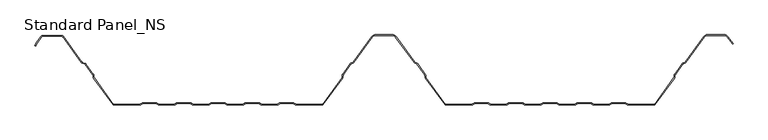
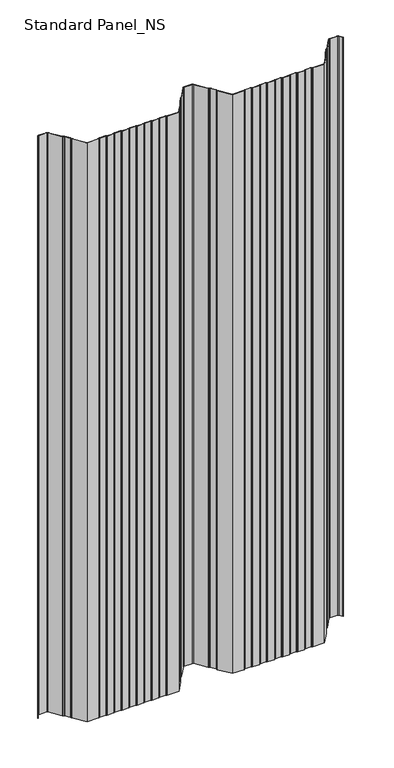
"""IFC4 building model written with IfcOpenShell, lengths in millimetres: proxy geometry, Standard Panel_NS."""

from ifc_helpers import new_model, si_unit, point, frame_2d, origin, origin_with_axes, place, context, project, spatial, polyline, circle_curve, trimmed, segment, composite_curve, outline, extrude, source, transform, mapped, element, save


def standard_panel_ns_25d5b2a5(model_context):
    return source(origin(), model_context, "Body", "SweptSolid", [
        extrude(outline(composite_curve([segment(trimmed(circle_curve(frame_2d((-475.5977664, 97.2513951)), 2.7486049), [point((-477.8230656, 98.864737))], [point((-475.5977664, 100.0))], False, "CARTESIAN"), True, "CONTINUOUS"), segment(polyline([(-475.5977664, 100.0), (-448.4022336, 100.0)]), True, "CONTINUOUS"), segment(trimmed(circle_curve(frame_2d((-448.4022336, 97.2513951)), 2.7486049), [point((-448.4022336, 100.0))], [point((-446.1769344, 98.864737))], False, "CARTESIAN"), True, "CONTINUOUS"), segment(polyline([(-446.1769344, 98.864737), (-419.3812187, 61.9051293)]), True, "CONTINUOUS"), segment(trimmed(circle_curve(frame_2d((-417.96553, 62.9315037)), 1.7486049), [point((-419.3812187, 61.9051293))], [point((-418.5741242, 61.2922257))], True, "CARTESIAN"), True, "CONTINUOUS"), segment(polyline([(-418.5741242, 61.2922257), (-414.780451, 59.8837962)]), True, "CONTINUOUS"), segment(trimmed(circle_curve(frame_2d((-415.7370908, 57.3070406)), 2.7486049), [point((-414.780451, 59.8837962))], [point((-413.5117915, 58.9203825))], False, "CARTESIAN"), True, "CONTINUOUS"), segment(polyline([(-413.5117915, 58.9203825), (-402.7622541, 44.0934344)]), True, "CONTINUOUS"), segment(trimmed(circle_curve(frame_2d((-404.9875533, 42.4800924)), 2.7486049), [point((-402.7622541, 44.0934344))], [point((-402.2410714, 42.5881001))], False, "CARTESIAN"), True, "CONTINUOUS"), segment(polyline([(-402.2410714, 42.5881001), (-402.152896, 40.3459275)]), True, "CONTINUOUS"), segment(trimmed(circle_curve(frame_2d((-400.4056417, 40.4146398)), 1.7486049), [point((-402.152896, 40.3459275))], [point((-401.8213305, 39.3882654))], True, "CARTESIAN"), True, "CONTINUOUS"), segment(polyline([(-401.8213305, 39.3882654), (-373.9898381, 1.0), (-336.1655439, 1.0)]), True, "CONTINUOUS"), segment(trimmed(circle_curve(frame_2d((-336.1655439, 2.7486049)), 1.7486049), [point((-336.1655439, 1.0))], [point((-335.1955925, 1.2936777))], True, "CARTESIAN"), True, "CONTINUOUS"), segment(polyline([(-335.1955925, 1.2936777), (-333.32855, 2.5383726)]), True, "CONTINUOUS"), segment(trimmed(circle_curve(frame_2d((-331.8038984, 0.2513951)), 2.7486049), [point((-333.32855, 2.5383726))], [point((-331.8038984, 3.0))], False, "CARTESIAN"), True, "CONTINUOUS"), segment(polyline([(-331.8038984, 3.0), (-312.8627683, 3.0)]), True, "CONTINUOUS"), segment(trimmed(circle_curve(frame_2d((-312.8627683, 0.2513951)), 2.7486049), [point((-312.8627683, 3.0))], [point((-311.3381166, 2.5383726))], False, "CARTESIAN"), True, "CONTINUOUS"), segment(polyline([(-311.3381166, 2.5383726), (-309.4710742, 1.2936777)]), True, "CONTINUOUS"), segment(trimmed(circle_curve(frame_2d((-308.5011227, 2.7486049)), 1.7486049), [point((-309.4710742, 1.2936777))], [point((-308.5011227, 1.0))], True, "CARTESIAN"), True, "CONTINUOUS"), segment(polyline([(-308.5011227, 1.0), (-286.9988773, 1.0)]), True, "CONTINUOUS"), segment(trimmed(circle_curve(frame_2d((-286.9988773, 2.7486049)), 1.7486049), [point((-286.9988773, 1.0))], [point((-286.0289258, 1.2936777))], True, "CARTESIAN"), True, "CONTINUOUS"), segment(polyline([(-286.0289258, 1.2936777), (-284.1618834, 2.5383726)]), True, "CONTINUOUS"), segment(trimmed(circle_curve(frame_2d((-282.6372317, 0.2513951)), 2.7486049), [point((-284.1618834, 2.5383726))], [point((-282.6372317, 3.0))], False, "CARTESIAN"), True, "CONTINUOUS"), segment(polyline([(-282.6372317, 3.0), (-263.6961016, 3.0)]), True, "CONTINUOUS"), segment(trimmed(circle_curve(frame_2d((-263.6961016, 0.2513951)), 2.7486049), [point((-263.6961016, 3.0))], [point((-262.17145, 2.5383726))], False, "CARTESIAN"), True, "CONTINUOUS"), segment(polyline([(-262.17145, 2.5383726), (-260.3044075, 1.2936777)]), True, "CONTINUOUS"), segment(trimmed(circle_curve(frame_2d((-259.3344561, 2.7486049)), 1.7486049), [point((-260.3044075, 1.2936777))], [point((-259.3344561, 1.0))], True, "CARTESIAN"), True, "CONTINUOUS"), segment(polyline([(-259.3344561, 1.0), (-237.8322106, 1.0)]), True, "CONTINUOUS"), segment(trimmed(circle_curve(frame_2d((-237.8322106, 2.7486049)), 1.7486049), [point((-237.8322106, 1.0))], [point((-236.8622591, 1.2936777))], True, "CARTESIAN"), True, "CONTINUOUS"), segment(polyline([(-236.8622591, 1.2936777), (-234.9952167, 2.5383726)]), True, "CONTINUOUS"), segment(trimmed(circle_curve(frame_2d((-233.470565, 0.2513951)), 2.7486049), [point((-234.9952167, 2.5383726))], [point((-233.470565, 3.0))], False, "CARTESIAN"), True, "CONTINUOUS"), segment(polyline([(-233.470565, 3.0), (-214.529435, 3.0)]), True, "CONTINUOUS"), segment(trimmed(circle_curve(frame_2d((-214.529435, 0.2513951)), 2.7486049), [point((-214.529435, 3.0))], [point((-213.0047833, 2.5383726))], False, "CARTESIAN"), True, "CONTINUOUS"), segment(polyline([(-213.0047833, 2.5383726), (-211.1377409, 1.2936777)]), True, "CONTINUOUS"), segment(trimmed(circle_curve(frame_2d((-210.1677894, 2.7486049)), 1.7486049), [point((-211.1377409, 1.2936777))], [point((-210.1677894, 1.0))], True, "CARTESIAN"), True, "CONTINUOUS"), segment(polyline([(-210.1677894, 1.0), (-188.6655439, 1.0)]), True, "CONTINUOUS"), segment(trimmed(circle_curve(frame_2d((-188.6655439, 2.7486049)), 1.7486049), [point((-188.6655439, 1.0))], [point((-187.6955925, 1.2936777))], True, "CARTESIAN"), True, "CONTINUOUS"), segment(polyline([(-187.6955925, 1.2936777), (-185.82855, 2.5383726)]), True, "CONTINUOUS"), segment(trimmed(circle_curve(frame_2d((-184.3038984, 0.2513951)), 2.7486049), [point((-185.82855, 2.5383726))], [point((-184.3038984, 3.0))], False, "CARTESIAN"), True, "CONTINUOUS"), segment(polyline([(-184.3038984, 3.0), (-165.3627683, 3.0)]), True, "CONTINUOUS"), segment(trimmed(circle_curve(frame_2d((-165.3627683, 0.2513951)), 2.7486049), [point((-165.3627683, 3.0))], [point((-163.8381166, 2.5383726))], False, "CARTESIAN"), True, "CONTINUOUS"), segment(polyline([(-163.8381166, 2.5383726), (-161.9710742, 1.2936777)]), True, "CONTINUOUS"), segment(trimmed(circle_curve(frame_2d((-161.0011227, 2.7486049)), 1.7486049), [point((-161.9710742, 1.2936777))], [point((-161.0011227, 1.0))], True, "CARTESIAN"), True, "CONTINUOUS"), segment(polyline([(-161.0011227, 1.0), (-139.4988773, 1.0)]), True, "CONTINUOUS"), segment(trimmed(circle_curve(frame_2d((-139.4988773, 2.7486049)), 1.7486049), [point((-139.4988773, 1.0))], [point((-138.5289258, 1.2936777))], True, "CARTESIAN"), True, "CONTINUOUS"), segment(polyline([(-138.5289258, 1.2936777), (-136.6618834, 2.5383726)]), True, "CONTINUOUS"), segment(trimmed(circle_curve(frame_2d((-135.1372317, 0.2513951)), 2.7486049), [point((-136.6618834, 2.5383726))], [point((-135.1372317, 3.0))], False, "CARTESIAN"), True, "CONTINUOUS"), segment(polyline([(-135.1372317, 3.0), (-116.1961016, 3.0)]), True, "CONTINUOUS"), segment(trimmed(circle_curve(frame_2d((-116.1961016, 0.2513951)), 2.7486049), [point((-116.1961016, 3.0))], [point((-114.67145, 2.5383726))], False, "CARTESIAN"), True, "CONTINUOUS"), segment(polyline([(-114.67145, 2.5383726), (-112.8044075, 1.2936777)]), True, "CONTINUOUS"), segment(trimmed(circle_curve(frame_2d((-111.8344561, 2.7486049)), 1.7486049), [point((-112.8044075, 1.2936777))], [point((-111.8344561, 1.0))], True, "CARTESIAN"), True, "CONTINUOUS"), segment(polyline([(-111.8344561, 1.0), (-74.0101619, 1.0), (-46.1786695, 39.3882654)]), True, "CONTINUOUS"), segment(trimmed(circle_curve(frame_2d((-47.5943583, 40.4146398)), 1.7486049), [point((-46.1786695, 39.3882654))], [point((-45.847104, 40.3459275))], True, "CARTESIAN"), True, "CONTINUOUS"), segment(polyline([(-45.847104, 40.3459275), (-45.7589286, 42.5881001)]), True, "CONTINUOUS"), segment(trimmed(circle_curve(frame_2d((-43.0124467, 42.4800924)), 2.7486049), [point((-45.7589286, 42.5881001))], [point((-45.2377459, 44.0934344))], False, "CARTESIAN"), True, "CONTINUOUS"), segment(polyline([(-45.2377459, 44.0934344), (-34.1199168, 59.4283711)]), True, "CONTINUOUS"), segment(trimmed(circle_curve(frame_2d((-31.8946175, 57.8150291)), 2.7486049), [point((-34.1199168, 59.4283711))], [point((-32.8512573, 60.3917847))], False, "CARTESIAN"), True, "CONTINUOUS"), segment(polyline([(-32.8512573, 60.3917847), (-30.747646, 61.1727662)]), True, "CONTINUOUS"), segment(trimmed(circle_curve(frame_2d((-31.3562402, 62.8120441)), 1.7486049), [point((-30.747646, 61.1727662))], [point((-29.9405514, 61.7856697))], True, "CARTESIAN"), True, "CONTINUOUS"), segment(polyline([(-29.9405514, 61.7856697), (-3.306853, 98.5218054)]), True, "CONTINUOUS"), segment(trimmed(circle_curve(frame_2d((1.5508097, 95.0)), 6.0), [point((-3.306853, 98.5218054))], [point((1.5508097, 101.0))], False, "CARTESIAN"), True, "CONTINUOUS"), segment(polyline([(1.5508097, 101.0), (26.4491903, 101.0)]), True, "CONTINUOUS"), segment(trimmed(circle_curve(frame_2d((26.4491903, 95.0)), 6.0), [point((26.4491903, 101.0))], [point((31.306853, 98.5218054))], False, "CARTESIAN"), True, "CONTINUOUS"), segment(polyline([(31.306853, 98.5218054), (57.9405514, 61.7856697)]), True, "CONTINUOUS"), segment(trimmed(circle_curve(frame_2d((59.3562402, 62.8120441)), 1.7486049), [point((57.9405514, 61.7856697))], [point((58.747646, 61.1727662))], True, "CARTESIAN"), True, "CONTINUOUS"), segment(polyline([(58.747646, 61.1727662), (60.8512573, 60.3917847)]), True, "CONTINUOUS"), segment(trimmed(circle_curve(frame_2d((59.8946175, 57.8150291)), 2.7486049), [point((60.8512573, 60.3917847))], [point((62.1199168, 59.4283711))], False, "CARTESIAN"), True, "CONTINUOUS"), segment(polyline([(62.1199168, 59.4283711), (73.2377459, 44.0934344)]), True, "CONTINUOUS"), segment(trimmed(circle_curve(frame_2d((71.0124467, 42.4800924)), 2.7486049), [point((73.2377459, 44.0934344))], [point((73.7589286, 42.5881001))], False, "CARTESIAN"), True, "CONTINUOUS"), segment(polyline([(73.7589286, 42.5881001), (73.847104, 40.3459275)]), True, "CONTINUOUS"), segment(trimmed(circle_curve(frame_2d((75.5943583, 40.4146398)), 1.7486049), [point((73.847104, 40.3459275))], [point((74.1786695, 39.3882654))], True, "CARTESIAN"), True, "CONTINUOUS"), segment(polyline([(74.1786695, 39.3882654), (102.0101619, 1.0), (139.8344561, 1.0)]), True, "CONTINUOUS"), segment(trimmed(circle_curve(frame_2d((139.8344561, 2.7486049)), 1.7486049), [point((139.8344561, 1.0))], [point((140.8044075, 1.2936777))], True, "CARTESIAN"), True, "CONTINUOUS"), segment(polyline([(140.8044075, 1.2936777), (142.67145, 2.5383726)]), True, "CONTINUOUS"), segment(trimmed(circle_curve(frame_2d((144.1961016, 0.2513951)), 2.7486049), [point((142.67145, 2.5383726))], [point((144.1961016, 3.0))], False, "CARTESIAN"), True, "CONTINUOUS"), segment(polyline([(144.1961016, 3.0), (163.1372317, 3.0)]), True, "CONTINUOUS"), segment(trimmed(circle_curve(frame_2d((163.1372317, 0.2513951)), 2.7486049), [point((163.1372317, 3.0))], [point((164.6618834, 2.5383726))], False, "CARTESIAN"), True, "CONTINUOUS"), segment(polyline([(164.6618834, 2.5383726), (166.5289258, 1.2936777)]), True, "CONTINUOUS"), segment(trimmed(circle_curve(frame_2d((167.4988773, 2.7486049)), 1.7486049), [point((166.5289258, 1.2936777))], [point((167.4988773, 1.0))], True, "CARTESIAN"), True, "CONTINUOUS"), segment(polyline([(167.4988773, 1.0), (189.0011227, 1.0)]), True, "CONTINUOUS"), segment(trimmed(circle_curve(frame_2d((189.0011227, 2.7486049)), 1.7486049), [point((189.0011227, 1.0))], [point((189.9710742, 1.2936777))], True, "CARTESIAN"), True, "CONTINUOUS"), segment(polyline([(189.9710742, 1.2936777), (191.8381166, 2.5383726)]), True, "CONTINUOUS"), segment(trimmed(circle_curve(frame_2d((193.3627683, 0.2513951)), 2.7486049), [point((191.8381166, 2.5383726))], [point((193.3627683, 3.0))], False, "CARTESIAN"), True, "CONTINUOUS"), segment(polyline([(193.3627683, 3.0), (212.3038984, 3.0)]), True, "CONTINUOUS"), segment(trimmed(circle_curve(frame_2d((212.3038984, 0.2513951)), 2.7486049), [point((212.3038984, 3.0))], [point((213.82855, 2.5383726))], False, "CARTESIAN"), True, "CONTINUOUS"), segment(polyline([(213.82855, 2.5383726), (215.6955925, 1.2936777)]), True, "CONTINUOUS"), segment(trimmed(circle_curve(frame_2d((216.6655439, 2.7486049)), 1.7486049), [point((215.6955925, 1.2936777))], [point((216.6655439, 1.0))], True, "CARTESIAN"), True, "CONTINUOUS"), segment(polyline([(216.6655439, 1.0), (238.1677894, 1.0)]), True, "CONTINUOUS"), segment(trimmed(circle_curve(frame_2d((238.1677894, 2.7486049)), 1.7486049), [point((238.1677894, 1.0))], [point((239.1377409, 1.2936777))], True, "CARTESIAN"), True, "CONTINUOUS"), segment(polyline([(239.1377409, 1.2936777), (241.0047833, 2.5383726)]), True, "CONTINUOUS"), segment(trimmed(circle_curve(frame_2d((242.529435, 0.2513951)), 2.7486049), [point((241.0047833, 2.5383726))], [point((242.529435, 3.0))], False, "CARTESIAN"), True, "CONTINUOUS"), segment(polyline([(242.529435, 3.0), (261.470565, 3.0)]), True, "CONTINUOUS"), segment(trimmed(circle_curve(frame_2d((261.470565, 0.2513951)), 2.7486049), [point((261.470565, 3.0))], [point((262.9952167, 2.5383726))], False, "CARTESIAN"), True, "CONTINUOUS"), segment(polyline([(262.9952167, 2.5383726), (264.8622591, 1.2936777)]), True, "CONTINUOUS"), segment(trimmed(circle_curve(frame_2d((265.8322106, 2.7486049)), 1.7486049), [point((264.8622591, 1.2936777))], [point((265.8322106, 1.0))], True, "CARTESIAN"), True, "CONTINUOUS"), segment(polyline([(265.8322106, 1.0), (287.3344561, 1.0)]), True, "CONTINUOUS"), segment(trimmed(circle_curve(frame_2d((287.3344561, 2.7486049)), 1.7486049), [point((287.3344561, 1.0))], [point((288.3044075, 1.2936777))], True, "CARTESIAN"), True, "CONTINUOUS"), segment(polyline([(288.3044075, 1.2936777), (290.17145, 2.5383726)]), True, "CONTINUOUS"), segment(trimmed(circle_curve(frame_2d((291.6961016, 0.2513951)), 2.7486049), [point((290.17145, 2.5383726))], [point((291.6961016, 3.0))], False, "CARTESIAN"), True, "CONTINUOUS"), segment(polyline([(291.6961016, 3.0), (310.6372317, 3.0)]), True, "CONTINUOUS"), segment(trimmed(circle_curve(frame_2d((310.6372317, 0.2513951)), 2.7486049), [point((310.6372317, 3.0))], [point((312.1618834, 2.5383726))], False, "CARTESIAN"), True, "CONTINUOUS"), segment(polyline([(312.1618834, 2.5383726), (314.0289258, 1.2936777)]), True, "CONTINUOUS"), segment(trimmed(circle_curve(frame_2d((314.9988773, 2.7486049)), 1.7486049), [point((314.0289258, 1.2936777))], [point((314.9988773, 1.0))], True, "CARTESIAN"), True, "CONTINUOUS"), segment(polyline([(314.9988773, 1.0), (336.5011227, 1.0)]), True, "CONTINUOUS"), segment(trimmed(circle_curve(frame_2d((336.5011227, 2.7486049)), 1.7486049), [point((336.5011227, 1.0))], [point((337.4710742, 1.2936777))], True, "CARTESIAN"), True, "CONTINUOUS"), segment(polyline([(337.4710742, 1.2936777), (339.3381166, 2.5383726)]), True, "CONTINUOUS"), segment(trimmed(circle_curve(frame_2d((340.8627683, 0.2513951)), 2.7486049), [point((339.3381166, 2.5383726))], [point((340.8627683, 3.0))], False, "CARTESIAN"), True, "CONTINUOUS"), segment(polyline([(340.8627683, 3.0), (359.8038984, 3.0)]), True, "CONTINUOUS"), segment(trimmed(circle_curve(frame_2d((359.8038984, 0.2513951)), 2.7486049), [point((359.8038984, 3.0))], [point((361.32855, 2.5383726))], False, "CARTESIAN"), True, "CONTINUOUS"), segment(polyline([(361.32855, 2.5383726), (363.1955925, 1.2936777)]), True, "CONTINUOUS"), segment(trimmed(circle_curve(frame_2d((364.1655439, 2.7486049)), 1.7486049), [point((363.1955925, 1.2936777))], [point((364.1655439, 1.0))], True, "CARTESIAN"), True, "CONTINUOUS"), segment(polyline([(364.1655439, 1.0), (401.9898381, 1.0), (429.8213305, 39.3882654)]), True, "CONTINUOUS"), segment(trimmed(circle_curve(frame_2d((428.4056417, 40.4146398)), 1.7486049), [point((429.8213305, 39.3882654))], [point((430.152896, 40.3459275))], True, "CARTESIAN"), True, "CONTINUOUS"), segment(polyline([(430.152896, 40.3459275), (430.2410714, 42.5881001)]), True, "CONTINUOUS"), segment(trimmed(circle_curve(frame_2d((432.9875533, 42.4800924)), 2.7486049), [point((430.2410714, 42.5881001))], [point((430.7622541, 44.0934344))], False, "CARTESIAN"), True, "CONTINUOUS"), segment(polyline([(430.7622541, 44.0934344), (441.8800832, 59.4283711)]), True, "CONTINUOUS"), segment(trimmed(circle_curve(frame_2d((444.1053825, 57.8150291)), 2.7486049), [point((441.8800832, 59.4283711))], [point((443.1487427, 60.3917847))], False, "CARTESIAN"), True, "CONTINUOUS"), segment(polyline([(443.1487427, 60.3917847), (445.252354, 61.1727662)]), True, "CONTINUOUS"), segment(trimmed(circle_curve(frame_2d((444.6437598, 62.8120441)), 1.7486049), [point((445.252354, 61.1727662))], [point((446.0594486, 61.7856697))], True, "CARTESIAN"), True, "CONTINUOUS"), segment(polyline([(446.0594486, 61.7856697), (472.693147, 98.5218054)]), True, "CONTINUOUS"), segment(trimmed(circle_curve(frame_2d((477.5508097, 95.0)), 6.0), [point((472.693147, 98.5218054))], [point((477.5508097, 101.0))], False, "CARTESIAN"), True, "CONTINUOUS"), segment(polyline([(477.5508097, 101.0), (502.4491903, 101.0)]), True, "CONTINUOUS"), segment(trimmed(circle_curve(frame_2d((502.4491903, 95.0)), 6.0), [point((502.4491903, 101.0))], [point((507.306853, 98.5218054))], False, "CARTESIAN"), True, "CONTINUOUS"), segment(polyline([(507.306853, 98.5218054), (514.614124, 88.4428109), (513.8045136, 87.8558433), (506.4972426, 97.9348379)]), True, "CONTINUOUS"), segment(trimmed(circle_curve(frame_2d((502.4491903, 95.0)), 5.0), [point((506.4972426, 97.9348379))], [point((502.4491903, 100.0))], True, "CARTESIAN"), True, "CONTINUOUS"), segment(polyline([(502.4491903, 100.0), (477.5508097, 100.0)]), True, "CONTINUOUS"), segment(trimmed(circle_curve(frame_2d((477.5508097, 95.0)), 5.0), [point((477.5508097, 100.0))], [point((473.5027574, 97.9348379))], True, "CARTESIAN"), True, "CONTINUOUS"), segment(polyline([(473.5027574, 97.9348379), (446.8690591, 61.1987022)]), True, "CONTINUOUS"), segment(trimmed(circle_curve(frame_2d((444.6437598, 62.8120441)), 2.7486049), [point((446.8690591, 61.1987022))], [point((445.6003996, 60.2352885))], False, "CARTESIAN"), True, "CONTINUOUS"), segment(polyline([(445.6003996, 60.2352885), (443.4967883, 59.4543071)]), True, "CONTINUOUS"), segment(trimmed(circle_curve(frame_2d((444.1053825, 57.8150291)), 1.7486049), [point((443.4967883, 59.4543071))], [point((442.6896937, 58.8414035))], True, "CARTESIAN"), True, "CONTINUOUS"), segment(polyline([(442.6896937, 58.8414035), (431.5718646, 43.5064668)]), True, "CONTINUOUS"), segment(trimmed(circle_curve(frame_2d((432.9875533, 42.4800924)), 1.7486049), [point((431.5718646, 43.5064668))], [point((431.240299, 42.5488047))], True, "CARTESIAN"), True, "CONTINUOUS"), segment(polyline([(431.240299, 42.5488047), (431.1521237, 40.3066321)]), True, "CONTINUOUS"), segment(trimmed(circle_curve(frame_2d((428.4056417, 40.4146398)), 2.7486049), [point((431.1521237, 40.3066321))], [point((430.6309409, 38.8012978))], False, "CARTESIAN"), True, "CONTINUOUS"), segment(polyline([(430.6309409, 38.8012978), (402.5, 0.0), (364.1655439, 0.0)]), True, "CONTINUOUS"), segment(trimmed(circle_curve(frame_2d((364.1655439, 2.7486049)), 2.7486049), [point((364.1655439, 0.0))], [point((362.6408923, 0.4616274))], False, "CARTESIAN"), True, "CONTINUOUS"), segment(polyline([(362.6408923, 0.4616274), (360.7738498, 1.7063223)]), True, "CONTINUOUS"), segment(trimmed(circle_curve(frame_2d((359.8038984, 0.2513951)), 1.7486049), [point((360.7738498, 1.7063223))], [point((359.8038984, 2.0))], True, "CARTESIAN"), True, "CONTINUOUS"), segment(polyline([(359.8038984, 2.0), (340.8627683, 2.0)]), True, "CONTINUOUS"), segment(trimmed(circle_curve(frame_2d((340.8627683, 0.2513951)), 1.7486049), [point((340.8627683, 2.0))], [point((339.8928168, 1.7063223))], True, "CARTESIAN"), True, "CONTINUOUS"), segment(polyline([(339.8928168, 1.7063223), (338.0257744, 0.4616274)]), True, "CONTINUOUS"), segment(trimmed(circle_curve(frame_2d((336.5011227, 2.7486049)), 2.7486049), [point((338.0257744, 0.4616274))], [point((336.5011227, 0.0))], False, "CARTESIAN"), True, "CONTINUOUS"), segment(polyline([(336.5011227, 0.0), (314.9988773, 0.0)]), True, "CONTINUOUS"), segment(trimmed(circle_curve(frame_2d((314.9988773, 2.7486049)), 2.7486049), [point((314.9988773, 0.0))], [point((313.4742256, 0.4616274))], False, "CARTESIAN"), True, "CONTINUOUS"), segment(polyline([(313.4742256, 0.4616274), (311.6071832, 1.7063223)]), True, "CONTINUOUS"), segment(trimmed(circle_curve(frame_2d((310.6372317, 0.2513951)), 1.7486049), [point((311.6071832, 1.7063223))], [point((310.6372317, 2.0))], True, "CARTESIAN"), True, "CONTINUOUS"), segment(polyline([(310.6372317, 2.0), (291.6961016, 2.0)]), True, "CONTINUOUS"), segment(trimmed(circle_curve(frame_2d((291.6961016, 0.2513951)), 1.7486049), [point((291.6961016, 2.0))], [point((290.7261502, 1.7063223))], True, "CARTESIAN"), True, "CONTINUOUS"), segment(polyline([(290.7261502, 1.7063223), (288.8591077, 0.4616274)]), True, "CONTINUOUS"), segment(trimmed(circle_curve(frame_2d((287.3344561, 2.7486049)), 2.7486049), [point((288.8591077, 0.4616274))], [point((287.3344561, 0.0))], False, "CARTESIAN"), True, "CONTINUOUS"), segment(polyline([(287.3344561, 0.0), (265.8322106, 0.0)]), True, "CONTINUOUS"), segment(trimmed(circle_curve(frame_2d((265.8322106, 2.7486049)), 2.7486049), [point((265.8322106, 0.0))], [point((264.3075589, 0.4616274))], False, "CARTESIAN"), True, "CONTINUOUS"), segment(polyline([(264.3075589, 0.4616274), (262.4405165, 1.7063223)]), True, "CONTINUOUS"), segment(trimmed(circle_curve(frame_2d((261.470565, 0.2513951)), 1.7486049), [point((262.4405165, 1.7063223))], [point((261.470565, 2.0))], True, "CARTESIAN"), True, "CONTINUOUS"), segment(polyline([(261.470565, 2.0), (242.529435, 2.0)]), True, "CONTINUOUS"), segment(trimmed(circle_curve(frame_2d((242.529435, 0.2513951)), 1.7486049), [point((242.529435, 2.0))], [point((241.5594835, 1.7063223))], True, "CARTESIAN"), True, "CONTINUOUS"), segment(polyline([(241.5594835, 1.7063223), (239.6924411, 0.4616274)]), True, "CONTINUOUS"), segment(trimmed(circle_curve(frame_2d((238.1677894, 2.7486049)), 2.7486049), [point((239.6924411, 0.4616274))], [point((238.1677894, 0.0))], False, "CARTESIAN"), True, "CONTINUOUS"), segment(polyline([(238.1677894, 0.0), (216.6655439, 0.0)]), True, "CONTINUOUS"), segment(trimmed(circle_curve(frame_2d((216.6655439, 2.7486049)), 2.7486049), [point((216.6655439, 0.0))], [point((215.1408923, 0.4616274))], False, "CARTESIAN"), True, "CONTINUOUS"), segment(polyline([(215.1408923, 0.4616274), (213.2738498, 1.7063223)]), True, "CONTINUOUS"), segment(trimmed(circle_curve(frame_2d((212.3038984, 0.2513951)), 1.7486049), [point((213.2738498, 1.7063223))], [point((212.3038984, 2.0))], True, "CARTESIAN"), True, "CONTINUOUS"), segment(polyline([(212.3038984, 2.0), (193.3627683, 2.0)]), True, "CONTINUOUS"), segment(trimmed(circle_curve(frame_2d((193.3627683, 0.2513951)), 1.7486049), [point((193.3627683, 2.0))], [point((192.3928168, 1.7063223))], True, "CARTESIAN"), True, "CONTINUOUS"), segment(polyline([(192.3928168, 1.7063223), (190.5257744, 0.4616274)]), True, "CONTINUOUS"), segment(trimmed(circle_curve(frame_2d((189.0011227, 2.7486049)), 2.7486049), [point((190.5257744, 0.4616274))], [point((189.0011227, 0.0))], False, "CARTESIAN"), True, "CONTINUOUS"), segment(polyline([(189.0011227, 0.0), (167.4988773, 0.0)]), True, "CONTINUOUS"), segment(trimmed(circle_curve(frame_2d((167.4988773, 2.7486049)), 2.7486049), [point((167.4988773, 0.0))], [point((165.9742256, 0.4616274))], False, "CARTESIAN"), True, "CONTINUOUS"), segment(polyline([(165.9742256, 0.4616274), (164.1071832, 1.7063223)]), True, "CONTINUOUS"), segment(trimmed(circle_curve(frame_2d((163.1372317, 0.2513951)), 1.7486049), [point((164.1071832, 1.7063223))], [point((163.1372317, 2.0))], True, "CARTESIAN"), True, "CONTINUOUS"), segment(polyline([(163.1372317, 2.0), (144.1961016, 2.0)]), True, "CONTINUOUS"), segment(trimmed(circle_curve(frame_2d((144.1961016, 0.2513951)), 1.7486049), [point((144.1961016, 2.0))], [point((143.2261502, 1.7063223))], True, "CARTESIAN"), True, "CONTINUOUS"), segment(polyline([(143.2261502, 1.7063223), (141.3591077, 0.4616274)]), True, "CONTINUOUS"), segment(trimmed(circle_curve(frame_2d((139.8344561, 2.7486049)), 2.7486049), [point((141.3591077, 0.4616274))], [point((139.8344561, 0.0))], False, "CARTESIAN"), True, "CONTINUOUS"), segment(polyline([(139.8344561, 0.0), (101.5, 0.0), (73.3690591, 38.8012978)]), True, "CONTINUOUS"), segment(trimmed(circle_curve(frame_2d((75.5943583, 40.4146398)), 2.7486049), [point((73.3690591, 38.8012978))], [point((72.8478763, 40.3066321))], False, "CARTESIAN"), True, "CONTINUOUS"), segment(polyline([(72.8478763, 40.3066321), (72.759701, 42.5488047)]), True, "CONTINUOUS"), segment(trimmed(circle_curve(frame_2d((71.0124467, 42.4800924)), 1.7486049), [point((72.759701, 42.5488047))], [point((72.4281354, 43.5064668))], True, "CARTESIAN"), True, "CONTINUOUS"), segment(polyline([(72.4281354, 43.5064668), (61.3103063, 58.8414035)]), True, "CONTINUOUS"), segment(trimmed(circle_curve(frame_2d((59.8946175, 57.8150291)), 1.7486049), [point((61.3103063, 58.8414035))], [point((60.5032117, 59.4543071))], True, "CARTESIAN"), True, "CONTINUOUS"), segment(polyline([(60.5032117, 59.4543071), (58.3996004, 60.2352885)]), True, "CONTINUOUS"), segment(trimmed(circle_curve(frame_2d((59.3562402, 62.8120441)), 2.7486049), [point((58.3996004, 60.2352885))], [point((57.1309409, 61.1987022))], False, "CARTESIAN"), True, "CONTINUOUS"), segment(polyline([(57.1309409, 61.1987022), (30.4972426, 97.9348379)]), True, "CONTINUOUS"), segment(trimmed(circle_curve(frame_2d((26.4491903, 95.0)), 5.0), [point((30.4972426, 97.9348379))], [point((26.4491903, 100.0))], True, "CARTESIAN"), True, "CONTINUOUS"), segment(polyline([(26.4491903, 100.0), (1.5508097, 100.0)]), True, "CONTINUOUS"), segment(trimmed(circle_curve(frame_2d((1.5508097, 95.0)), 5.0), [point((1.5508097, 100.0))], [point((-2.4972426, 97.9348379))], True, "CARTESIAN"), True, "CONTINUOUS"), segment(polyline([(-2.4972426, 97.9348379), (-29.1309409, 61.1987022)]), True, "CONTINUOUS"), segment(trimmed(circle_curve(frame_2d((-31.3562402, 62.8120441)), 2.7486049), [point((-29.1309409, 61.1987022))], [point((-30.3996004, 60.2352885))], False, "CARTESIAN"), True, "CONTINUOUS"), segment(polyline([(-30.3996004, 60.2352885), (-32.5032117, 59.4543071)]), True, "CONTINUOUS"), segment(trimmed(circle_curve(frame_2d((-31.8946175, 57.8150291)), 1.7486049), [point((-32.5032117, 59.4543071))], [point((-33.3103063, 58.8414035))], True, "CARTESIAN"), True, "CONTINUOUS"), segment(polyline([(-33.3103063, 58.8414035), (-44.4281354, 43.5064668)]), True, "CONTINUOUS"), segment(trimmed(circle_curve(frame_2d((-43.0124467, 42.4800924)), 1.7486049), [point((-44.4281354, 43.5064668))], [point((-44.759701, 42.5488047))], True, "CARTESIAN"), True, "CONTINUOUS"), segment(polyline([(-44.759701, 42.5488047), (-44.8478763, 40.3066321)]), True, "CONTINUOUS"), segment(trimmed(circle_curve(frame_2d((-47.5943583, 40.4146398)), 2.7486049), [point((-44.8478763, 40.3066321))], [point((-45.3690591, 38.8012978))], False, "CARTESIAN"), True, "CONTINUOUS"), segment(polyline([(-45.3690591, 38.8012978), (-73.5, 0.0), (-111.8344561, 0.0)]), True, "CONTINUOUS"), segment(trimmed(circle_curve(frame_2d((-111.8344561, 2.7486049)), 2.7486049), [point((-111.8344561, 0.0))], [point((-113.3591077, 0.4616274))], False, "CARTESIAN"), True, "CONTINUOUS"), segment(polyline([(-113.3591077, 0.4616274), (-115.2261502, 1.7063223)]), True, "CONTINUOUS"), segment(trimmed(circle_curve(frame_2d((-116.1961016, 0.2513951)), 1.7486049), [point((-115.2261502, 1.7063223))], [point((-116.1961016, 2.0))], True, "CARTESIAN"), True, "CONTINUOUS"), segment(polyline([(-116.1961016, 2.0), (-135.1372317, 2.0)]), True, "CONTINUOUS"), segment(trimmed(circle_curve(frame_2d((-135.1372317, 0.2513951)), 1.7486049), [point((-135.1372317, 2.0))], [point((-136.1071832, 1.7063223))], True, "CARTESIAN"), True, "CONTINUOUS"), segment(polyline([(-136.1071832, 1.7063223), (-137.9742256, 0.4616274)]), True, "CONTINUOUS"), segment(trimmed(circle_curve(frame_2d((-139.4988773, 2.7486049)), 2.7486049), [point((-137.9742256, 0.4616274))], [point((-139.4988773, 0.0))], False, "CARTESIAN"), True, "CONTINUOUS"), segment(polyline([(-139.4988773, 0.0), (-161.0011227, 0.0)]), True, "CONTINUOUS"), segment(trimmed(circle_curve(frame_2d((-161.0011227, 2.7486049)), 2.7486049), [point((-161.0011227, 0.0))], [point((-162.5257744, 0.4616274))], False, "CARTESIAN"), True, "CONTINUOUS"), segment(polyline([(-162.5257744, 0.4616274), (-164.3928168, 1.7063223)]), True, "CONTINUOUS"), segment(trimmed(circle_curve(frame_2d((-165.3627683, 0.2513951)), 1.7486049), [point((-164.3928168, 1.7063223))], [point((-165.3627683, 2.0))], True, "CARTESIAN"), True, "CONTINUOUS"), segment(polyline([(-165.3627683, 2.0), (-184.3038984, 2.0)]), True, "CONTINUOUS"), segment(trimmed(circle_curve(frame_2d((-184.3038984, 0.2513951)), 1.7486049), [point((-184.3038984, 2.0))], [point((-185.2738498, 1.7063223))], True, "CARTESIAN"), True, "CONTINUOUS"), segment(polyline([(-185.2738498, 1.7063223), (-187.1408923, 0.4616274)]), True, "CONTINUOUS"), segment(trimmed(circle_curve(frame_2d((-188.6655439, 2.7486049)), 2.7486049), [point((-187.1408923, 0.4616274))], [point((-188.6655439, 0.0))], False, "CARTESIAN"), True, "CONTINUOUS"), segment(polyline([(-188.6655439, 0.0), (-210.1677894, 0.0)]), True, "CONTINUOUS"), segment(trimmed(circle_curve(frame_2d((-210.1677894, 2.7486049)), 2.7486049), [point((-210.1677894, 0.0))], [point((-211.6924411, 0.4616274))], False, "CARTESIAN"), True, "CONTINUOUS"), segment(polyline([(-211.6924411, 0.4616274), (-213.5594835, 1.7063223)]), True, "CONTINUOUS"), segment(trimmed(circle_curve(frame_2d((-214.529435, 0.2513951)), 1.7486049), [point((-213.5594835, 1.7063223))], [point((-214.529435, 2.0))], True, "CARTESIAN"), True, "CONTINUOUS"), segment(polyline([(-214.529435, 2.0), (-233.470565, 2.0)]), True, "CONTINUOUS"), segment(trimmed(circle_curve(frame_2d((-233.470565, 0.2513951)), 1.7486049), [point((-233.470565, 2.0))], [point((-234.4405165, 1.7063223))], True, "CARTESIAN"), True, "CONTINUOUS"), segment(polyline([(-234.4405165, 1.7063223), (-236.3075589, 0.4616274)]), True, "CONTINUOUS"), segment(trimmed(circle_curve(frame_2d((-237.8322106, 2.7486049)), 2.7486049), [point((-236.3075589, 0.4616274))], [point((-237.8322106, 0.0))], False, "CARTESIAN"), True, "CONTINUOUS"), segment(polyline([(-237.8322106, 0.0), (-259.3344561, 0.0)]), True, "CONTINUOUS"), segment(trimmed(circle_curve(frame_2d((-259.3344561, 2.7486049)), 2.7486049), [point((-259.3344561, 0.0))], [point((-260.8591077, 0.4616274))], False, "CARTESIAN"), True, "CONTINUOUS"), segment(polyline([(-260.8591077, 0.4616274), (-262.7261502, 1.7063223)]), True, "CONTINUOUS"), segment(trimmed(circle_curve(frame_2d((-263.6961016, 0.2513951)), 1.7486049), [point((-262.7261502, 1.7063223))], [point((-263.6961016, 2.0))], True, "CARTESIAN"), True, "CONTINUOUS"), segment(polyline([(-263.6961016, 2.0), (-282.6372317, 2.0)]), True, "CONTINUOUS"), segment(trimmed(circle_curve(frame_2d((-282.6372317, 0.2513951)), 1.7486049), [point((-282.6372317, 2.0))], [point((-283.6071832, 1.7063223))], True, "CARTESIAN"), True, "CONTINUOUS"), segment(polyline([(-283.6071832, 1.7063223), (-285.4742256, 0.4616274)]), True, "CONTINUOUS"), segment(trimmed(circle_curve(frame_2d((-286.9988773, 2.7486049)), 2.7486049), [point((-285.4742256, 0.4616274))], [point((-286.9988773, 0.0))], False, "CARTESIAN"), True, "CONTINUOUS"), segment(polyline([(-286.9988773, 0.0), (-308.5011227, 0.0)]), True, "CONTINUOUS"), segment(trimmed(circle_curve(frame_2d((-308.5011227, 2.7486049)), 2.7486049), [point((-308.5011227, 0.0))], [point((-310.0257744, 0.4616274))], False, "CARTESIAN"), True, "CONTINUOUS"), segment(polyline([(-310.0257744, 0.4616274), (-311.8928168, 1.7063223)]), True, "CONTINUOUS"), segment(trimmed(circle_curve(frame_2d((-312.8627683, 0.2513951)), 1.7486049), [point((-311.8928168, 1.7063223))], [point((-312.8627683, 2.0))], True, "CARTESIAN"), True, "CONTINUOUS"), segment(polyline([(-312.8627683, 2.0), (-331.8038984, 2.0)]), True, "CONTINUOUS"), segment(trimmed(circle_curve(frame_2d((-331.8038984, 0.2513951)), 1.7486049), [point((-331.8038984, 2.0))], [point((-332.7738498, 1.7063223))], True, "CARTESIAN"), True, "CONTINUOUS"), segment(polyline([(-332.7738498, 1.7063223), (-334.6408923, 0.4616274)]), True, "CONTINUOUS"), segment(trimmed(circle_curve(frame_2d((-336.1655439, 2.7486049)), 2.7486049), [point((-334.6408923, 0.4616274))], [point((-336.1655439, 0.0))], False, "CARTESIAN"), True, "CONTINUOUS"), segment(polyline([(-336.1655439, 0.0), (-374.5, 0.0), (-402.6309409, 38.8012978)]), True, "CONTINUOUS"), segment(trimmed(circle_curve(frame_2d((-400.4056417, 40.4146398)), 2.7486049), [point((-402.6309409, 38.8012978))], [point((-403.1521237, 40.3066321))], False, "CARTESIAN"), True, "CONTINUOUS"), segment(polyline([(-403.1521237, 40.3066321), (-403.240299, 42.5488047)]), True, "CONTINUOUS"), segment(trimmed(circle_curve(frame_2d((-404.9875533, 42.4800924)), 1.7486049), [point((-403.240299, 42.5488047))], [point((-403.5718646, 43.5064668))], True, "CARTESIAN"), True, "CONTINUOUS"), segment(polyline([(-403.5718646, 43.5064668), (-414.321402, 58.333415)]), True, "CONTINUOUS"), segment(trimmed(circle_curve(frame_2d((-415.7370908, 57.3070406)), 1.7486049), [point((-414.321402, 58.333415))], [point((-415.1284966, 58.9463185))], True, "CARTESIAN"), True, "CONTINUOUS"), segment(polyline([(-415.1284966, 58.9463185), (-418.9221697, 60.3547481)]), True, "CONTINUOUS"), segment(trimmed(circle_curve(frame_2d((-417.96553, 62.9315037)), 2.7486049), [point((-418.9221697, 60.3547481))], [point((-420.1908292, 61.3181617))], False, "CARTESIAN"), True, "CONTINUOUS"), segment(polyline([(-420.1908292, 61.3181617), (-446.9865448, 98.2777695)]), True, "CONTINUOUS"), segment(trimmed(circle_curve(frame_2d((-448.4022336, 97.2513951)), 1.7486049), [point((-446.9865448, 98.2777695))], [point((-448.4022336, 99.0))], True, "CARTESIAN"), True, "CONTINUOUS"), segment(polyline([(-448.4022336, 99.0), (-475.5977664, 99.0)]), True, "CONTINUOUS"), segment(trimmed(circle_curve(frame_2d((-475.5977664, 97.2513951)), 1.7486049), [point((-475.5977664, 99.0))], [point((-477.0134552, 98.2777695))], True, "CARTESIAN"), True, "CONTINUOUS"), segment(polyline([(-477.0134552, 98.2777695), (-483.5334489, 89.2846747), (-485.6935696, 84.9550455), (-486.5883845, 85.4014829), (-484.391455, 89.8048897), (-477.8230656, 98.864737)]), True, "CONTINUOUS")], self_intersect=False)), origin_with_axes(), (0.0, 0.0, 1.0), 2000.0),
    ])


if __name__ == "__main__":
    model = new_model("IFC4")
    model_context = context("Model", 3, world=origin())
    ifc_project = project(units=[si_unit("LENGTHUNIT", "METRE", prefix="MILLI")], contexts=[model_context])
    site = spatial("IfcSite", under=ifc_project)
    building = spatial("IfcBuilding", under=site)
    placement = place(None, origin())
    standard_panel_ns_shape = standard_panel_ns_25d5b2a5(model_context)
    element("IfcBuildingElementProxy", 1, Name="Standard Panel_NS", ObjectType="Standard Panel_NS", at=placement, inside=building, context=model_context, shape_type="MappedRepresentation", body=[
        mapped(standard_panel_ns_shape, transform((0.0, 0.0, 0.0), x_axis=(1.0, 0.0, 0.0), y_axis=(0.0, 1.0, 0.0), z_axis=(0.0, 0.0, 1.0))),
    ])
    save(model, "model.ifc")
